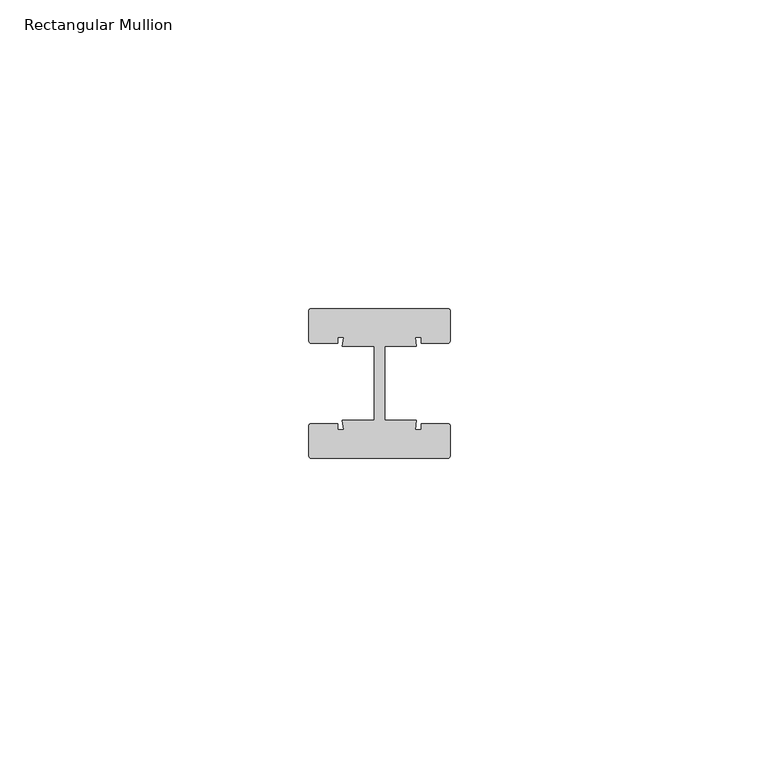
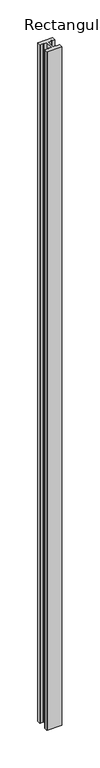
"""IFC4 building model written with IfcOpenShell, lengths in millimetres: member geometry, Rectangular Mullion."""

import ifcopenshell
import ifcopenshell.guid

model = None  # the IFC model being written
_history = None  # IfcOwnerHistory: only IFC2X3 demands one
_inside = {}  # id of a spatial element -> (the spatial element, [elements in it])
_under = {}  # id of a project, library or spatial element -> (it, [spatial elements below it])
_declared = {}  # id of a project -> (the project, [libraries it declares])
_typed = {}  # id of a type object -> (the type object, [elements of that type])
_made_of = {}  # id of a material, layer set ... -> (it, [elements and type objects made of it])


def new_model(schema):
    """Start an empty IFC model of exactly this schema.

    Asked for "IFC4X3", IfcOpenShell would pick the latest addendum, in which some entities
    have other attributes; the version numbers below select the first issue.
    IFC2X3 requires an IfcOwnerHistory on every rooted entity: one is made here for all.
    """
    global model, _history
    if schema == "IFC4X3":
        model = ifcopenshell.file(schema_version=(4, 3, 0, 0))
    else:
        model = ifcopenshell.file(schema=schema)
    _inside.clear()
    _under.clear()
    _declared.clear()
    _typed.clear()
    _made_of.clear()
    _history = None
    if model.schema == "IFC2X3":
        org = make("IfcOrganization", Name="unknown")
        user = make(
            "IfcPersonAndOrganization",
            ThePerson=make("IfcPerson", FamilyName="unknown"),
            TheOrganization=org,
        )
        app = make(
            "IfcApplication",
            ApplicationDeveloper=org,
            Version="unknown",
            ApplicationFullName="unknown",
            ApplicationIdentifier="unknown",
        )
        _history = make(
            "IfcOwnerHistory",
            OwningUser=user,
            OwningApplication=app,
            ChangeAction="ADDED",
            CreationDate=0,
        )
    return model


def make(cls, **values):
    """One entity of the class cls with the attributes given. An attribute that is None is left unset."""
    return model.create_entity(
        cls, **{name: value for name, value in values.items() if value is not None}
    )


def rooted(cls, **values):
    """An entity with a GlobalId (a new one), such as an element, a storey or a relation."""
    return make(cls, GlobalId=ifcopenshell.guid.new(), OwnerHistory=_history, **values)


def si_unit(unit_type, name, prefix=None):
    """IfcSIUnit, for example si_unit("LENGTHUNIT", "METRE", prefix="MILLI")."""
    return make("IfcSIUnit", UnitType=unit_type, Prefix=prefix, Name=name)


def assignment(units):
    """IfcUnitAssignment: the units of a project."""
    return None if units is None else make("IfcUnitAssignment", Units=units)


def point(xyz):
    """IfcCartesianPoint."""
    return None if xyz is None else make("IfcCartesianPoint", Coordinates=xyz)


def direction(xyz):
    """IfcDirection."""
    return None if xyz is None else make("IfcDirection", DirectionRatios=xyz)


def frame(location, z_axis=None, x_axis=None):
    """IfcAxis2Placement3D, a coordinate frame: its origin and axes. An axis left out is left unset."""
    return make(
        "IfcAxis2Placement3D",
        Location=point(location),
        Axis=direction(z_axis),
        RefDirection=direction(x_axis),
    )


def frame_2d(location, x_axis=None):
    """IfcAxis2Placement2D, a coordinate frame in the plane: its origin and x axis."""
    return make(
        "IfcAxis2Placement2D", Location=point(location), RefDirection=direction(x_axis)
    )


def origin():
    """The frame at (0, 0, 0) with its axes left unset."""
    return frame((0.0, 0.0, 0.0))


def place(relative_to, where):
    """IfcLocalPlacement: puts the frame where relative to a parent placement (None: the world)."""
    return make(
        "IfcLocalPlacement", PlacementRelTo=relative_to, RelativePlacement=where
    )


def context(
    kind, dimensions, precision=None, world=None, true_north=None, identifier=None
):
    """IfcGeometricRepresentationContext, for example the 3D "Model" context."""
    return make(
        "IfcGeometricRepresentationContext",
        ContextIdentifier=identifier,
        ContextType=kind,
        CoordinateSpaceDimension=dimensions,
        Precision=precision,
        WorldCoordinateSystem=world,
        TrueNorth=true_north,
    )


def project(units=None, contexts=None):
    """IfcProject with its units and contexts."""
    return rooted(
        "IfcProject",
        Name="project",
        RepresentationContexts=contexts,
        UnitsInContext=assignment(units),
    )


def spatial(cls, under=None, at=None, **own):
    """A site, building, storey or space (cls), placed at a placement, below another one or the project."""
    s = rooted(cls, ObjectPlacement=at, **own)
    if under is not None:
        _under.setdefault(under.id(), (under, []))[1].append(s)
    return s


def polyline(points):
    """IfcPolyline through the points."""
    return make("IfcPolyline", Points=[point(p) for p in points])


def circle_curve(where, radius):
    """IfcCircle in the frame where."""
    return make("IfcCircle", Position=where, Radius=radius)


def trimmed(basis, trim1, trim2, sense, master):
    """IfcTrimmedCurve: the piece of a basis curve between two trims."""
    return make(
        "IfcTrimmedCurve",
        BasisCurve=basis,
        Trim1=trim1,
        Trim2=trim2,
        SenseAgreement=sense,
        MasterRepresentation=master,
    )


def segment(curve, same_sense, transition):
    """IfcCompositeCurveSegment."""
    return make(
        "IfcCompositeCurveSegment",
        Transition=transition,
        SameSense=same_sense,
        ParentCurve=curve,
    )


def composite_curve(segments, self_intersect=None):
    """IfcCompositeCurve: segments joined end to end."""
    return make("IfcCompositeCurve", Segments=segments, SelfIntersect=self_intersect)


def outline(outer, holes=None, kind="AREA"):
    """IfcArbitraryClosedProfileDef: a profile drawn as a closed curve; with holes, ...WithVoids."""
    if holes is None:
        return make("IfcArbitraryClosedProfileDef", ProfileType=kind, OuterCurve=outer)
    return make(
        "IfcArbitraryProfileDefWithVoids",
        ProfileType=kind,
        OuterCurve=outer,
        InnerCurves=holes,
    )


def extrude(swept, where, along, depth):
    """IfcExtrudedAreaSolid: the profile swept, set in the frame where, extruded along a direction by depth."""
    return make(
        "IfcExtrudedAreaSolid",
        SweptArea=swept,
        Position=where,
        ExtrudedDirection=direction(along),
        Depth=depth,
    )


def shape(context_of_items, identifier, shape_type, items):
    """IfcShapeRepresentation: the items that make up one representation, for example the "Body"."""
    return make(
        "IfcShapeRepresentation",
        ContextOfItems=context_of_items,
        RepresentationIdentifier=identifier,
        RepresentationType=shape_type,
        Items=items,
    )


def source(mapping_origin, context_of_items, identifier, shape_type, items):
    """IfcRepresentationMap: a shape defined once, which mapped items show again and again."""
    return make(
        "IfcRepresentationMap",
        MappingOrigin=mapping_origin,
        MappedRepresentation=shape(context_of_items, identifier, shape_type, items),
    )


def transform(
    local_origin,
    x_axis=None,
    y_axis=None,
    z_axis=None,
    scale=None,
    scale2=None,
    scale3=None,
    uniform=True,
):
    """IfcCartesianTransformationOperator3D, or its non-uniform kind. x_axis, y_axis, z_axis: its Axis1, 2, 3."""
    if uniform:
        return make(
            "IfcCartesianTransformationOperator3D",
            Axis1=direction(x_axis),
            Axis2=direction(y_axis),
            LocalOrigin=point(local_origin),
            Scale=scale,
            Axis3=direction(z_axis),
        )
    return make(
        "IfcCartesianTransformationOperator3DnonUniform",
        Axis1=direction(x_axis),
        Axis2=direction(y_axis),
        LocalOrigin=point(local_origin),
        Scale=scale,
        Axis3=direction(z_axis),
        Scale2=scale2,
        Scale3=scale3,
    )


def mapped(mapping_source, mapping_target):
    """IfcMappedItem: shows the shape of a source again, moved by a transform."""
    return make(
        "IfcMappedItem", MappingSource=mapping_source, MappingTarget=mapping_target
    )


def made_of(thing, what):
    """Note that an element or type object is made of a material, layer set ...; save() writes the relation."""
    if what is not None:
        _made_of.setdefault(what.id(), (what, []))[1].append(thing)
    return thing


def element(
    cls,
    number,
    at=None,
    inside=None,
    cuts=None,
    type_object=None,
    material=None,
    context=None,
    identifier="Body",
    shape_type=None,
    held_by="IfcProductDefinitionShape",
    body=None,
    shapes=None,
    **own,
):
    """One element of the class cls, such as IfcWall. Its Tag is "e" and its number.

    at: its placement. inside: the storey or other place that contains it. cuts: it is an
    opening in that element (IfcRelVoidsElement). A single representation is given by context,
    identifier, shape_type and body (its items); several are given by shapes. held_by: the class
    of the entity that holds the representations. save() writes the other relations.
    """
    e = rooted(cls, Tag="e%d" % number, ObjectPlacement=at, **own)
    if body is not None:
        shapes = [shape(context, identifier, shape_type, body)]
    if shapes is not None:
        e.Representation = make(held_by, Representations=shapes)
    if inside is not None:
        _inside.setdefault(inside.id(), (inside, []))[1].append(e)
    if cuts is not None:
        rooted(
            "IfcRelVoidsElement", RelatingBuildingElement=cuts, RelatedOpeningElement=e
        )
    if type_object is not None:
        _typed.setdefault(type_object.id(), (type_object, []))[1].append(e)
    return made_of(e, material)


def aggregate(whole, parts):
    """IfcRelAggregates: a whole, such as a stair, and the parts it consists of."""
    return rooted("IfcRelAggregates", RelatingObject=whole, RelatedObjects=parts)


def save(model, path):
    """Write the relations noted so far, then the file.

    IfcRelAggregates (storeys below a building ...), IfcRelContainedInSpatialStructure (elements
    in a storey), IfcRelDefinesByType, IfcRelAssociatesMaterial and IfcRelDeclares: one each for
    every whole, place, type object, material and project.
    """
    for whole, parts in _under.values():
        aggregate(whole, parts)
    for where, things in _inside.values():
        rooted(
            "IfcRelContainedInSpatialStructure",
            RelatedElements=things,
            RelatingStructure=where,
        )
    for kind, things in _typed.values():
        rooted("IfcRelDefinesByType", RelatedObjects=things, RelatingType=kind)
    for what, things in _made_of.values():
        rooted("IfcRelAssociatesMaterial", RelatedObjects=things, RelatingMaterial=what)
    for by, libraries in _declared.values():
        rooted("IfcRelDeclares", RelatingContext=by, RelatedDefinitions=libraries)
    model.write(path)


def rectangular_mullion_9abd9240(model_context):
    return source(origin(), model_context, "Body", "SweptSolid", [
        extrude(outline(composite_curve([segment(trimmed(circle_curve(frame_2d((-11.0, 11.64)), 0.5), [point((-11.5, 11.64))], [point((-11.0, 12.14))], False, "CARTESIAN"), True, "CONTINUOUS"), segment(polyline([(-11.0, 12.14), (11.0, 12.14)]), True, "CONTINUOUS"), segment(trimmed(circle_curve(frame_2d((11.0, 11.64)), 0.5), [point((11.0, 12.14))], [point((11.5, 11.64))], False, "CARTESIAN"), True, "CONTINUOUS"), segment(polyline([(11.5, 11.64), (11.5, 7.0)]), True, "CONTINUOUS"), segment(trimmed(circle_curve(frame_2d((11.0, 7.0)), 0.5), [point((11.5, 7.0))], [point((11.0, 6.5))], False, "CARTESIAN"), True, "CONTINUOUS"), segment(polyline([(11.0, 6.5), (6.75, 6.5), (6.75, 7.5), (5.7984177, 7.5), (6.0, 6.0), (0.840625, 6.0), (0.840625, -6.0), (6.0, -6.0), (5.7984177, -7.5), (6.75, -7.5), (6.75, -6.5), (11.0, -6.5)]), True, "CONTINUOUS"), segment(trimmed(circle_curve(frame_2d((11.0, -7.0)), 0.5), [point((11.0, -6.5))], [point((11.5, -7.0))], False, "CARTESIAN"), True, "CONTINUOUS"), segment(polyline([(11.5, -7.0), (11.5, -11.64)]), True, "CONTINUOUS"), segment(trimmed(circle_curve(frame_2d((11.0, -11.64)), 0.5), [point((11.5, -11.64))], [point((11.0, -12.14))], False, "CARTESIAN"), True, "CONTINUOUS"), segment(polyline([(11.0, -12.14), (-11.0, -12.14)]), True, "CONTINUOUS"), segment(trimmed(circle_curve(frame_2d((-11.0, -11.64)), 0.5), [point((-11.0, -12.14))], [point((-11.5, -11.64))], False, "CARTESIAN"), True, "CONTINUOUS"), segment(polyline([(-11.5, -11.64), (-11.5, -7.0)]), True, "CONTINUOUS"), segment(trimmed(circle_curve(frame_2d((-11.0, -7.0)), 0.5), [point((-11.5, -7.0))], [point((-11.0, -6.5))], False, "CARTESIAN"), True, "CONTINUOUS"), segment(polyline([(-11.0, -6.5), (-6.75, -6.5), (-6.75, -7.5), (-5.7984177, -7.5), (-6.0, -6.0), (-0.840625, -6.0), (-0.840625, 6.0), (-6.0, 6.0), (-5.7984177, 7.5), (-6.75, 7.5), (-6.75, 6.5), (-11.0, 6.5)]), True, "CONTINUOUS"), segment(trimmed(circle_curve(frame_2d((-11.0, 7.0)), 0.5), [point((-11.0, 6.5))], [point((-11.5, 7.0))], False, "CARTESIAN"), True, "CONTINUOUS"), segment(polyline([(-11.5, 7.0), (-11.5, 11.64)]), True, "CONTINUOUS")], self_intersect=False)), frame((0.0, 0.0, -1098.18), z_axis=(0.0, 0.0, 1.0), x_axis=(1.0, 0.0, 0.0)), (0.0, 0.0, 1.0), 1098.18),
    ])


if __name__ == "__main__":
    model = new_model("IFC4")
    model_context = context("Model", 3, world=origin())
    ifc_project = project(units=[si_unit("LENGTHUNIT", "METRE", prefix="MILLI")], contexts=[model_context])
    site = spatial("IfcSite", under=ifc_project)
    building = spatial("IfcBuilding", under=site)
    placement = place(None, origin())
    rectangular_mullion_shape = rectangular_mullion_9abd9240(model_context)
    element("IfcMember", 1, ObjectType="Rectangular Mullion", at=placement, inside=building, context=model_context, shape_type="MappedRepresentation", body=[
        mapped(rectangular_mullion_shape, transform((0.0, 0.0, 0.0), x_axis=(1.0, 0.0, 0.0), y_axis=(0.0, 1.0, 0.0), z_axis=(0.0, 0.0, 1.0))),
    ])
    save(model, "model.ifc")
